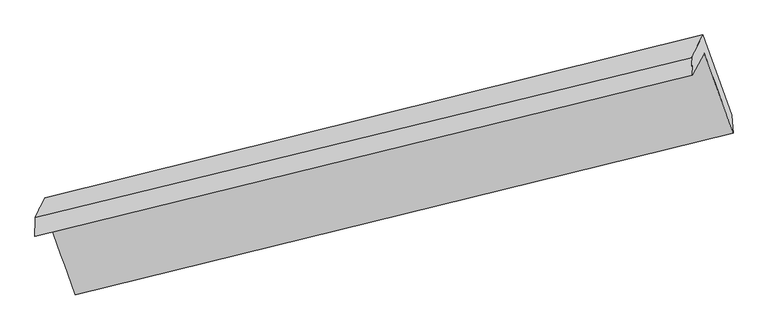
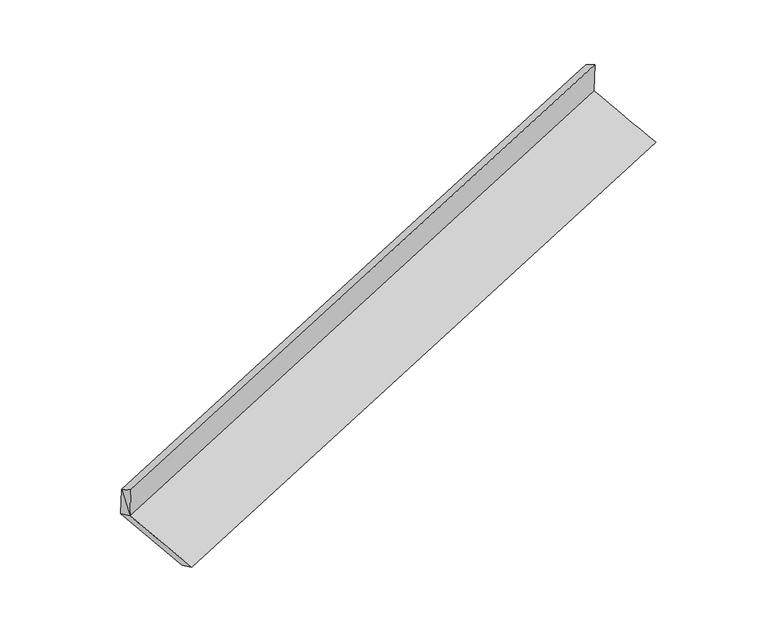
"""IFC4 building model written with IfcOpenShell, lengths in millimetres: proxy geometry."""

from ifc_helpers import new_model, si_unit, frame, origin, place, context, project, spatial, source, transform, mapped, element, save
from ifc_brep_helpers import plane_surface, spline_surface, advanced_brep


def generic_models_ccf578f8(model_context):
    return source(origin(), model_context, "Body", "AdvancedBrep", [
        advanced_brep(
        [(-5346.1739324, -1922.408835, 1094.9051227), (-5130.6416468, -2516.8469505, 888.5832796), (-237.8652292, -1311.5266545, 2505.8984325), (-453.0715803, -716.9312715, 2712.3630048), (-5432.5241698, -2083.9328087, 1470.0701626), (-539.9557825, -879.4540624, 3089.8479561), (-5430.961276, -1939.8426609, 1388.8466757), (-546.4355609, -749.9024591, 3014.4918309), (-5359.0229715, -1796.7150033, 1041.1509734), (-464.2278872, -581.062667, 2646.3183271), (-5143.6264115, -2390.7787875, 834.9590559), (-247.7247142, -1179.2410497, 2438.6096105)],
        [
            (0, 1),
            (1, 2),
            (2, 3),
            (3, 0),
            (4, 0),
            (3, 5),
            (5, 4),
            (6, 4),
            (5, 7),
            (7, 6),
            (8, 6),
            (7, 9),
            (9, 8),
            (10, 8),
            (9, 11),
            (11, 10),
            (1, 10),
            (11, 2),
            (0, 8),
            (0, 6),
        ],
        [
            spline_surface(1, 1, [[(-5346.1739324, -1922.408835, 1094.9051227), (-453.0715803, -716.9312715, 2712.3630048)], [(-5130.6416468, -2516.8469505, 888.5832796), (-237.8652292, -1311.5266545, 2505.8984325)]], [2, 2], [2, 2], [0.0, 1.0], [0.0, 1.0]),
            plane_surface(frame((-5389.3490511, -2003.1708219, 1282.4876426), z_axis=(0.32291818972939923, -0.8940138892490159, -0.3105849458227755), x_axis=(0.20683349298999373, 0.3868960721524477, -0.8986274731670328))),
            spline_surface(1, 1, [[(-5430.961276, -1939.8426609, 1388.8466757), (-546.4355609, -749.9024591, 3014.4918309)], [(-5432.5241698, -2083.9328087, 1470.0701626), (-539.9557825, -879.4540624, 3089.8479561)]], [2, 2], [2, 2], [0.0, 1.0], [0.0, 1.0]),
            spline_surface(1, 1, [[(-5359.0229715, -1796.7150033, 1041.1509734), (-464.2278872, -581.062667, 2646.3183271)], [(-5430.961276, -1939.8426609, 1388.8466757), (-546.4355609, -749.9024591, 3014.4918309)]], [2, 2], [2, 2], [0.0, 1.0], [0.0, 1.0]),
            spline_surface(1, 1, [[(-5143.6264115, -2390.7787875, 834.9590559), (-247.7247142, -1179.2410497, 2438.6096105)], [(-5359.0229715, -1796.7150033, 1041.1509734), (-464.2278872, -581.062667, 2646.3183271)]], [2, 2], [2, 2], [0.0, 1.0], [0.0, 1.0]),
            spline_surface(1, 1, [[(-5130.6416468, -2516.8469505, 888.5832796), (-237.8652292, -1311.5266545, 2505.8984325)], [(-5143.6264115, -2390.7787875, 834.9590559), (-247.7247142, -1179.2410497, 2438.6096105)]], [2, 2], [2, 2], [0.0, 1.0], [0.0, 1.0]),
            plane_surface(frame((-414.8801257, -903.019694, 2734.5881936), z_axis=(0.9233376835665634, 0.22652971832415927, 0.310051300306756), x_axis=(-0.19890568113939044, -0.4085165331222432, 0.8908146676925894))),
            plane_surface(frame((-5244.8662405, -2156.6873941, 964.8996079), z_axis=(-0.9231522918423969, -0.22704148332459956, -0.31022896530771515), x_axis=(-0.32405208260955165, 0.893735751887957, 0.3102042126626918))),
            plane_surface(frame((-5378.7193933, -1886.3221664, 1174.9675906), z_axis=(-0.9345867757750151, -0.21631372573698848, -0.28241092507947474), x_axis=(-0.27670118877332006, -0.056894816354261246, 0.959270260147497))),
            plane_surface(frame((-5403.2197927, -1982.0614349, 1317.9406537), z_axis=(-0.9477454139432737, -0.14879721255131464, -0.2822020905068768), x_axis=(-0.20683349299015846, -0.38689607215248756, 0.8986274731669777))),
        ],
        [
            (0, [[1, 2, 3, 4]]),
            (1, [[5, -4, 6, 7]]),
            (2, [[8, -7, 9, 10]]),
            (3, [[11, -10, 12, 13]]),
            (4, [[14, -13, 15, 16]]),
            (5, [[17, -16, 18, -2]]),
            (6, [[-12, -9, -6, -3, -18, -15]]),
            (7, [[-1, 19, -14, -17]]),
            (8, [[20, -11, -19]]),
            (9, [[-5, -8, -20]]),
        ],
    ),
    ])


if __name__ == "__main__":
    model = new_model("IFC4")
    model_context = context("Model", 3, world=origin())
    ifc_project = project(units=[si_unit("LENGTHUNIT", "METRE", prefix="MILLI")], contexts=[model_context])
    site = spatial("IfcSite", under=ifc_project)
    building = spatial("IfcBuilding", under=site)
    placement = place(None, origin())
    generic_models_shape = generic_models_ccf578f8(model_context)
    element("IfcBuildingElementProxy", 1, Name="Generic Models", at=placement, inside=building, context=model_context, shape_type="MappedRepresentation", body=[
        mapped(generic_models_shape, transform((0.0, 0.0, 0.0), x_axis=(1.0, 0.0, 0.0), y_axis=(0.0, 1.0, 0.0), z_axis=(0.0, 0.0, 1.0))),
    ])
    save(model, "model.ifc")
